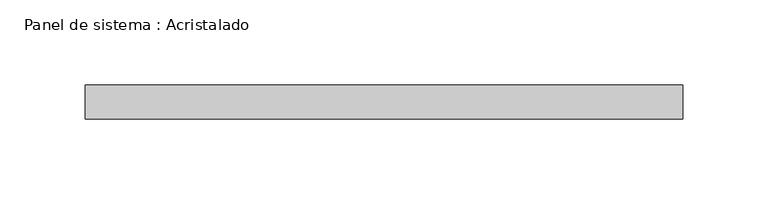
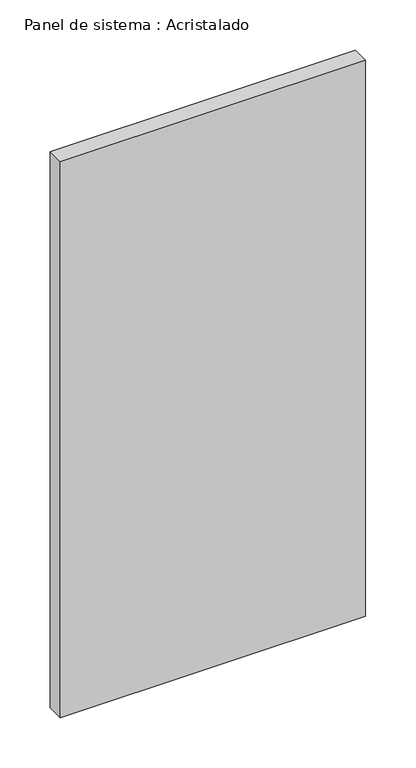
"""IFC4 building model written with IfcOpenShell, lengths in millimetres: plate geometry, Panel de sistema : Acristalado."""

from ifc_helpers import new_model, si_unit, origin, origin_with_axes, place, context, project, spatial, polyline, outline, extrude, source, transform, mapped, element, save


def panel_de_sistema_acristalado_33f017bf(model_context):
    return source(origin(), model_context, "Body", "SweptSolid", [
        extrude(outline(polyline([(175.0, -10.0), (-175.0, -10.0), (-175.0, 10.0), (175.0, 10.0), (175.0, -10.0)])), origin_with_axes(), (0.0, 0.0, 1.0), 673.7704445),
    ])


if __name__ == "__main__":
    model = new_model("IFC4")
    model_context = context("Model", 3, world=origin())
    ifc_project = project(units=[si_unit("LENGTHUNIT", "METRE", prefix="MILLI")], contexts=[model_context])
    site = spatial("IfcSite", under=ifc_project)
    building = spatial("IfcBuilding", under=site)
    placement = place(None, origin())
    panel_de_sistema_acristalado_shape = panel_de_sistema_acristalado_33f017bf(model_context)
    element("IfcPlate", 1, ObjectType="Panel de sistema : Acristalado", at=placement, inside=building, context=model_context, shape_type="MappedRepresentation", body=[
        mapped(panel_de_sistema_acristalado_shape, transform((0.0, 0.0, 0.0), x_axis=(1.0, 0.0, 0.0), y_axis=(0.0, 1.0, 0.0), z_axis=(0.0, 0.0, 1.0))),
    ])
    save(model, "model.ifc")
